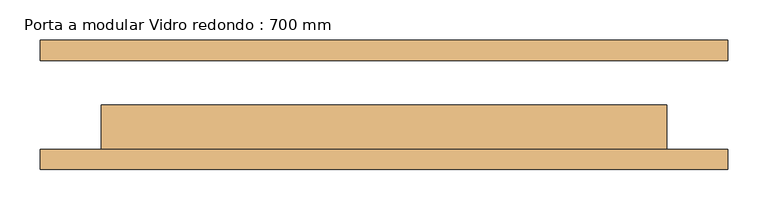
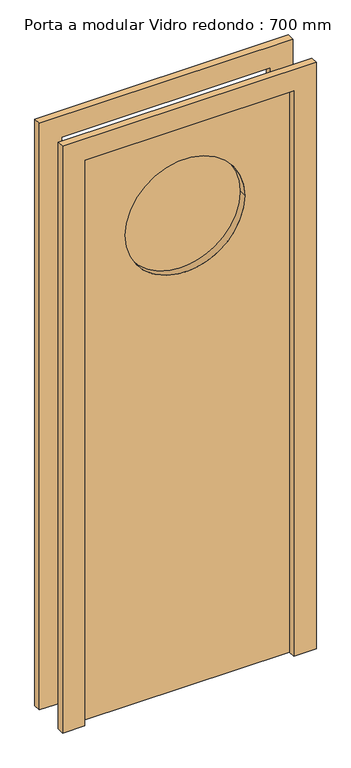
"""IFC4 building model written with IfcOpenShell, lengths in millimetres: door geometry, Porta a modular Vidro redondo : 700 mm."""

from ifc_helpers import new_model, si_unit, point, frame, frame_2d, origin, place, context, project, spatial, polyline, circle_curve, trimmed, segment, composite_curve, outline, extrude, source, transform, mapped, element, save


def porta_a_modular_vidro_redondo_700_mm_487a8664(model_context):
    return source(origin(), model_context, "Body", "SweptSolid", [
        extrude(outline(polyline([(2000.0, -350.0), (2000.0, 350.0), (0.0, 350.0), (0.0, 425.0), (2075.0, 425.0), (2075.0, -425.0), (0.0, -425.0), (0.0, -350.0), (2000.0, -350.0)])), frame((0.0, -80.0, 0.0), z_axis=(0.0, 1.0, 0.0), x_axis=(0.0, 0.0, 1.0)), (0.0, 0.0, 1.0), 25.0),
        extrude(outline(polyline([(2075.0, -425.0), (0.0, -425.0), (0.0, -350.0), (2000.0, -350.0), (2000.0, 350.0), (0.0, 350.0), (0.0, 425.0), (2075.0, 425.0), (2075.0, -425.0)])), frame((0.0, 55.0, 0.0), z_axis=(0.0, 1.0, 0.0), x_axis=(0.0, 0.0, 1.0)), (0.0, 0.0, 1.0), 25.0),
        extrude(outline(polyline([(2000.0, -350.0), (0.0, -350.0), (0.0, 350.0), (2000.0, 350.0), (2000.0, -350.0)]), holes=[composite_curve([segment(trimmed(circle_curve(frame_2d((1666.6666667, 0.0)), 200.0), [point((1666.6666667, -200.0))], [point((1666.6666667, 200.0))], True, "CARTESIAN"), True, "CONTINUOUS"), segment(trimmed(circle_curve(frame_2d((1666.6666667, 0.0)), 200.0), [point((1666.6666667, 200.0))], [point((1666.6666667, -200.0))], True, "CARTESIAN"), True, "CONTINUOUS")], self_intersect=False)]), frame((0.0, -55.0, 0.0), z_axis=(0.0, 1.0, 0.0), x_axis=(0.0, 0.0, 1.0)), (0.0, 0.0, 1.0), 55.0),
        extrude(outline(composite_curve([segment(trimmed(circle_curve(frame_2d((1666.6666667, 0.0)), 200.0), [point((1666.6666667, -200.0))], [point((1666.6666667, 200.0))], False, "CARTESIAN"), True, "CONTINUOUS"), segment(trimmed(circle_curve(frame_2d((1666.6666667, 0.0)), 200.0), [point((1666.6666667, 200.0))], [point((1666.6666667, -200.0))], False, "CARTESIAN"), True, "CONTINUOUS")], self_intersect=False)), frame((0.0, -30.0, 0.0), z_axis=(0.0, 1.0, 0.0), x_axis=(0.0, 0.0, 1.0)), (0.0, 0.0, 1.0), 25.0),
    ])


if __name__ == "__main__":
    model = new_model("IFC4")
    model_context = context("Model", 3, world=origin())
    ifc_project = project(units=[si_unit("LENGTHUNIT", "METRE", prefix="MILLI")], contexts=[model_context])
    site = spatial("IfcSite", under=ifc_project)
    building = spatial("IfcBuilding", under=site)
    placement = place(None, origin())
    porta_a_modular_vidro_redondo_700_mm_shape = porta_a_modular_vidro_redondo_700_mm_487a8664(model_context)
    element("IfcDoor", 1, ObjectType="Porta a modular Vidro redondo : 700 mm", at=placement, inside=building, context=model_context, shape_type="MappedRepresentation", body=[
        mapped(porta_a_modular_vidro_redondo_700_mm_shape, transform((0.0, 0.0, 0.0), x_axis=(1.0, 0.0, 0.0), y_axis=(0.0, 1.0, 0.0), z_axis=(0.0, 0.0, 1.0))),
    ])
    save(model, "model.ifc")
